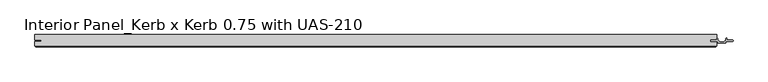
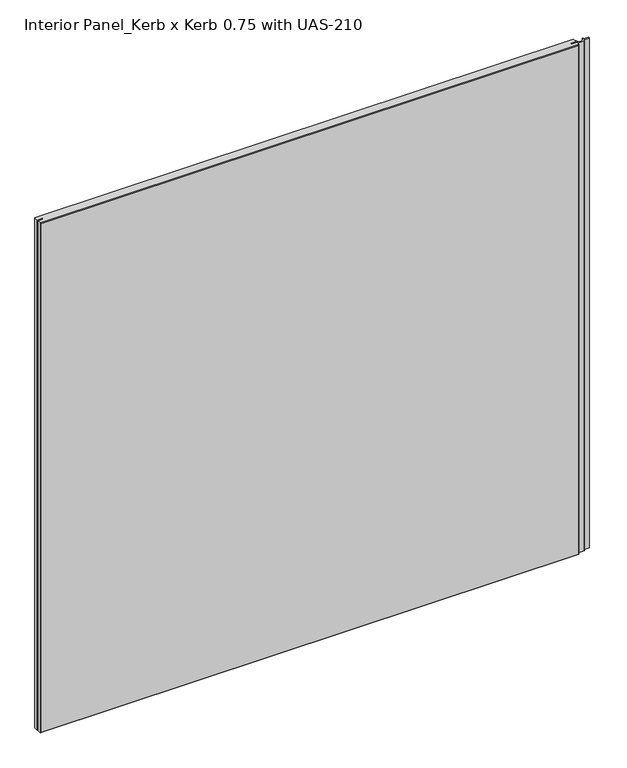
"""IFC4 building model written with IfcOpenShell, lengths in millimetres: proxy geometry, Interior Panel_Kerb x Kerb 0.75 with UAS-210."""

from ifc_helpers import new_model, si_unit, point, frame_2d, origin, origin_with_axes, place, context, project, spatial, polyline, circle_curve, trimmed, segment, composite_curve, outline, extrude, faceted_brep, source, transform, mapped, element, save


def interior_panel_kerb_x_kerb_0_75_with_uas_210_92913c58(model_context):
    return source(origin(), model_context, "Body", "SolidModel", [
        extrude(outline(composite_curve([segment(trimmed(circle_curve(frame_2d((551.65625, -3.1162079)), 0.79375), [point((550.8625, -3.1162079))], [point((552.45, -3.1162079))], False, "CARTESIAN"), True, "CONTINUOUS"), segment(polyline([(552.45, -3.1162079), (552.45, -5.2832), (561.1749, -5.2832)]), True, "CONTINUOUS"), segment(trimmed(circle_curve(frame_2d((560.845929, -6.35)), 1.116371), [point((561.1749, -5.2832))], [point((561.1749, -7.4168))], False, "CARTESIAN"), True, "CONTINUOUS"), segment(polyline([(561.1749, -7.4168), (550.8625, -7.4168), (550.8625, -9.5395647)]), True, "CONTINUOUS"), segment(trimmed(circle_curve(frame_2d((550.2577795, -9.5395647)), 0.6047205), [point((550.8625, -9.5395647))], [point((550.2577795, -10.1442852))], False, "CARTESIAN"), True, "CONTINUOUS"), segment(polyline([(550.2577795, -10.1442852), (538.7672205, -10.1442852)]), True, "CONTINUOUS"), segment(trimmed(circle_curve(frame_2d((538.7672205, -9.5395647)), 0.6047205), [point((538.7672205, -10.1442852))], [point((538.1625, -9.5395647))], False, "CARTESIAN"), True, "CONTINUOUS"), segment(polyline([(538.1625, -9.5395647), (538.1625, -7.4168), (527.8501, -7.4168)]), True, "CONTINUOUS"), segment(trimmed(circle_curve(frame_2d((528.179071, -6.35)), 1.116371), [point((527.8501, -7.4168))], [point((527.8501, -5.2832))], False, "CARTESIAN"), True, "CONTINUOUS"), segment(polyline([(527.8501, -5.2832), (536.575, -5.2832), (536.575, -3.1162079)]), True, "CONTINUOUS"), segment(trimmed(circle_curve(frame_2d((537.36875, -3.1162079)), 0.79375), [point((536.575, -3.1162079))], [point((538.1625, -3.1162079))], False, "CARTESIAN"), True, "CONTINUOUS"), segment(polyline([(538.1625, -3.1162079), (538.1625, -4.4361677)]), True, "CONTINUOUS"), segment(trimmed(circle_curve(frame_2d((544.5125, -1.6037025)), 6.9530827), [point((538.1625, -4.4361677))], [point((550.8625, -4.4361677))], True, "CARTESIAN"), True, "CONTINUOUS"), segment(polyline([(550.8625, -4.4361677), (550.8625, -3.1162079)]), True, "CONTINUOUS")], self_intersect=False)), origin_with_axes(), (0.0, 0.0, 1.0), 1063.625),
        faceted_brep([(536.575, 3.175, 1063.625), (-527.05, 3.175, 1063.625), (-527.05, -5.2832, 1063.625), (-517.2273437, -5.2832, 1063.625), (-517.2273437, -7.4168, 1063.625), (-527.05, -7.4168, 1063.625), (-527.05, -14.2875, 1063.625), (536.575, -14.2875, 1063.625), (536.575, -7.4168, 1063.625), (526.7523438, -7.4168, 1063.625), (526.7523438, -5.2832, 1063.625), (536.575, -5.2832, 1063.625), (536.575, 3.175, 0.0), (536.575, -5.2832, 0.0), (526.7523438, -5.2832, 0.0), (526.7523438, -7.4168, 0.0), (536.575, -7.4168, 0.0), (536.575, -14.2875, 0.0), (-527.05, -14.2875, 0.0), (-527.05, -7.4168, 0.0), (-517.2273437, -7.4168, 0.0), (-517.2273437, -5.2832, 0.0), (-527.05, -5.2832, 0.0), (-527.05, 3.175, 0.0), (-525.4625, -15.875, 1062.0375), (-525.4625, -15.875, 1.5875), (534.9875, -15.875, 1.5875), (534.9875, -15.875, 1062.0375)], [[[0, 1, 2, 3, 4, 5, 6, 7, 8, 9, 10, 11]], [[12, 13, 14, 15, 16, 17, 18, 19, 20, 21, 22, 23]], [[1, 0, 12, 23]], [[24, 25, 26, 27]], [[8, 7, 17, 16]], [[6, 18, 25, 24]], [[17, 7, 27, 26]], [[7, 6, 24, 27]], [[18, 17, 26, 25]], [[9, 8, 16, 15]], [[4, 3, 21, 20]], [[11, 10, 14, 13]], [[0, 11, 13, 12]], [[2, 1, 23, 22]], [[3, 2, 22, 21]], [[5, 4, 20, 19]], [[6, 5, 19, 18]], [[10, 9, 15, 14]]]),
    ])


if __name__ == "__main__":
    model = new_model("IFC4")
    model_context = context("Model", 3, world=origin())
    ifc_project = project(units=[si_unit("LENGTHUNIT", "METRE", prefix="MILLI")], contexts=[model_context])
    site = spatial("IfcSite", under=ifc_project)
    building = spatial("IfcBuilding", under=site)
    placement = place(None, origin())
    interior_panel_kerb_x_kerb_0_75_with_uas_210_shape = interior_panel_kerb_x_kerb_0_75_with_uas_210_92913c58(model_context)
    element("IfcBuildingElementProxy", 1, Name="Interior Panel_Kerb x Kerb 0.75 with UAS-210", ObjectType="Interior Panel_Kerb x Kerb 0.75 with UAS-210", at=placement, inside=building, context=model_context, shape_type="MappedRepresentation", body=[
        mapped(interior_panel_kerb_x_kerb_0_75_with_uas_210_shape, transform((0.0, 0.0, 0.0), x_axis=(1.0, 0.0, 0.0), y_axis=(0.0, 1.0, 0.0), z_axis=(0.0, 0.0, 1.0))),
    ])
    save(model, "model.ifc")
